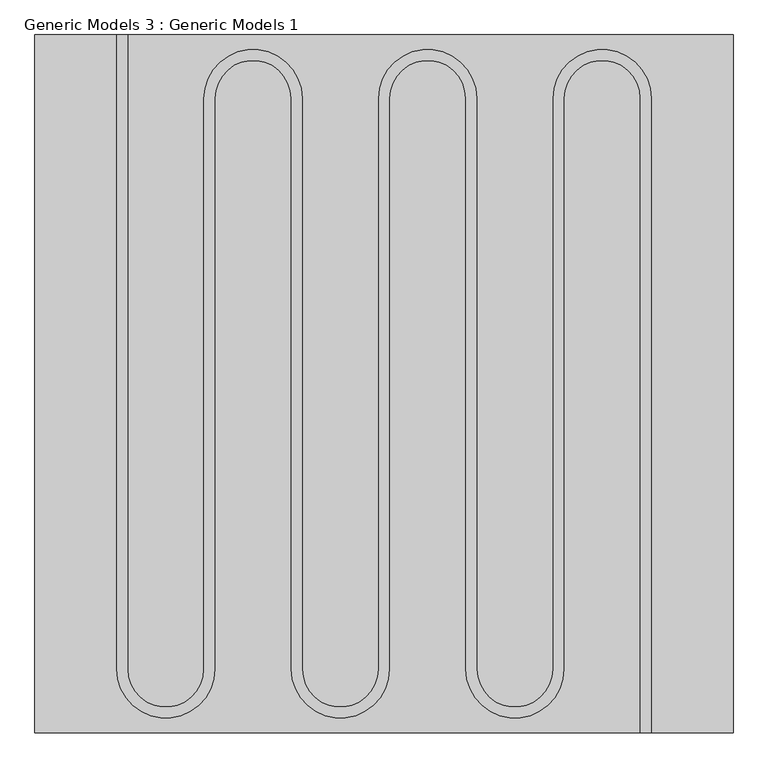
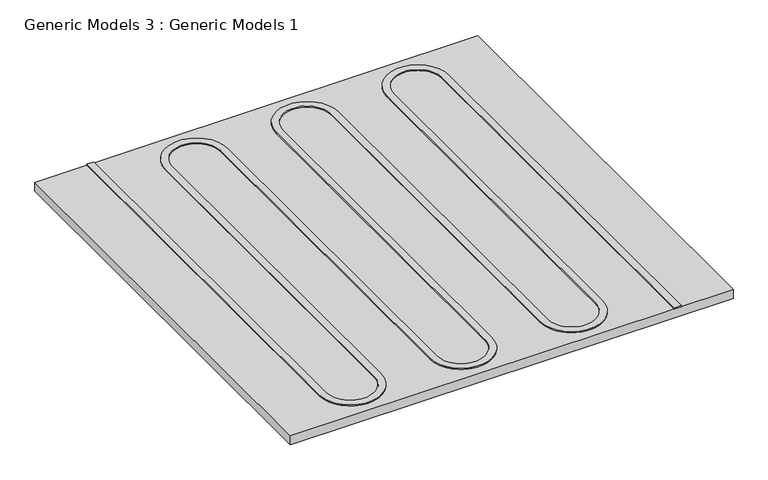
"""IFC4 building model written with IfcOpenShell, lengths in millimetres: proxy geometry, Generic Models 3 : Generic Models 1."""

from ifc_helpers import new_model, si_unit, point, frame, frame_2d, origin, origin_with_axes, place, context, project, spatial, polyline, circle_curve, trimmed, segment, composite_curve, outline, extrude, source, transform, mapped, element, save


def generic_models_3_generic_models_1_eb95a2b5(model_context):
    return source(origin(), model_context, "Body", "SweptSolid", [
        extrude(outline(composite_curve([segment(polyline([(1012.1693696, -428.2750193), (1012.1693696, 679.7999807), (1031.2193696, 679.7999807), (1031.2193696, -428.2750193)]), True, "CONTINUOUS"), segment(trimmed(circle_curve(frame_2d((1097.8943696, -428.2750193)), 66.675), [point((1031.2193696, -428.2750193))], [point((1164.5693696, -428.2750193))], True, "CARTESIAN"), True, "CONTINUOUS"), segment(polyline([(1164.5693696, -428.2750193), (1164.5693696, 568.6749807)]), True, "CONTINUOUS"), segment(trimmed(circle_curve(frame_2d((1250.2943696, 568.6749807)), 85.725), [point((1164.5693696, 568.6749807))], [point((1336.0193696, 568.6749807))], False, "CARTESIAN"), True, "CONTINUOUS"), segment(polyline([(1336.0193696, 568.6749807), (1336.0193696, -428.2750193)]), True, "CONTINUOUS"), segment(trimmed(circle_curve(frame_2d((1402.6943696, -428.2750193)), 66.675), [point((1336.0193696, -428.2750193))], [point((1469.3693696, -428.2750193))], True, "CARTESIAN"), True, "CONTINUOUS"), segment(polyline([(1469.3693696, -428.2750193), (1469.3693696, 568.6749807)]), True, "CONTINUOUS"), segment(trimmed(circle_curve(frame_2d((1555.0943696, 568.6749807)), 85.725), [point((1469.3693696, 568.6749807))], [point((1640.8193696, 568.6749807))], False, "CARTESIAN"), True, "CONTINUOUS"), segment(polyline([(1640.8193696, 568.6749807), (1640.8193696, -428.2750193)]), True, "CONTINUOUS"), segment(trimmed(circle_curve(frame_2d((1707.4943696, -428.2750193)), 66.675), [point((1640.8193696, -428.2750193))], [point((1774.1693696, -428.2750193))], True, "CARTESIAN"), True, "CONTINUOUS"), segment(polyline([(1774.1693696, -428.2750193), (1774.1693696, 568.6749807)]), True, "CONTINUOUS"), segment(trimmed(circle_curve(frame_2d((1859.8943696, 568.6749807)), 85.725), [point((1774.1693696, 568.6749807))], [point((1945.6193696, 568.6749807))], False, "CARTESIAN"), True, "CONTINUOUS"), segment(polyline([(1945.6193696, 568.6749807), (1945.6193696, -539.4000193), (1926.5693696, -539.4000193), (1926.5693696, 568.6749807)]), True, "CONTINUOUS"), segment(trimmed(circle_curve(frame_2d((1859.8943696, 568.6749807)), 66.675), [point((1926.5693696, 568.6749807))], [point((1793.2193696, 568.6749807))], True, "CARTESIAN"), True, "CONTINUOUS"), segment(polyline([(1793.2193696, 568.6749807), (1793.2193696, -428.2750193)]), True, "CONTINUOUS"), segment(trimmed(circle_curve(frame_2d((1707.4943696, -428.2750193)), 85.725), [point((1793.2193696, -428.2750193))], [point((1621.7693696, -428.2750193))], False, "CARTESIAN"), True, "CONTINUOUS"), segment(polyline([(1621.7693696, -428.2750193), (1621.7693696, 568.6749807)]), True, "CONTINUOUS"), segment(trimmed(circle_curve(frame_2d((1555.0943696, 568.6749807)), 66.675), [point((1621.7693696, 568.6749807))], [point((1488.4193696, 568.6749807))], True, "CARTESIAN"), True, "CONTINUOUS"), segment(polyline([(1488.4193696, 568.6749807), (1488.4193696, -428.2750193)]), True, "CONTINUOUS"), segment(trimmed(circle_curve(frame_2d((1402.6943696, -428.2750193)), 85.725), [point((1488.4193696, -428.2750193))], [point((1316.9693696, -428.2750193))], False, "CARTESIAN"), True, "CONTINUOUS"), segment(polyline([(1316.9693696, -428.2750193), (1316.9693696, 568.6749807)]), True, "CONTINUOUS"), segment(trimmed(circle_curve(frame_2d((1250.2943696, 568.6749807)), 66.675), [point((1316.9693696, 568.6749807))], [point((1183.6193696, 568.6749807))], True, "CARTESIAN"), True, "CONTINUOUS"), segment(polyline([(1183.6193696, 568.6749807), (1183.6193696, -428.2750193)]), True, "CONTINUOUS"), segment(trimmed(circle_curve(frame_2d((1097.8943696, -428.2750193)), 85.725), [point((1183.6193696, -428.2750193))], [point((1012.1693696, -428.2750193))], False, "CARTESIAN"), True, "CONTINUOUS")], self_intersect=False)), frame((0.0, 0.0, 25.4), z_axis=(0.0, 0.0, 1.0), x_axis=(1.0, 0.0, 0.0)), (0.0, 0.0, 1.0), 3.175),
        extrude(outline(polyline([(869.2943696, 679.7999807), (2088.4943696, 679.7999807), (2088.4943696, -539.4000193), (869.2943696, -539.4000193), (869.2943696, 679.7999807)])), origin_with_axes(), (0.0, 0.0, 1.0), 25.4),
    ])


if __name__ == "__main__":
    model = new_model("IFC4")
    model_context = context("Model", 3, world=origin())
    ifc_project = project(units=[si_unit("LENGTHUNIT", "METRE", prefix="MILLI")], contexts=[model_context])
    site = spatial("IfcSite", under=ifc_project)
    building = spatial("IfcBuilding", under=site)
    placement = place(None, origin())
    generic_models_3_generic_models_1_shape = generic_models_3_generic_models_1_eb95a2b5(model_context)
    element("IfcBuildingElementProxy", 1, Name="Generic Models 3 : Generic Models 1", ObjectType="Generic Models 3 : Generic Models 1", at=placement, inside=building, context=model_context, shape_type="MappedRepresentation", body=[
        mapped(generic_models_3_generic_models_1_shape, transform((0.0, 0.0, 0.0), x_axis=(1.0, 0.0, 0.0), y_axis=(0.0, 1.0, 0.0), z_axis=(0.0, 0.0, 1.0))),
    ])
    save(model, "model.ifc")
